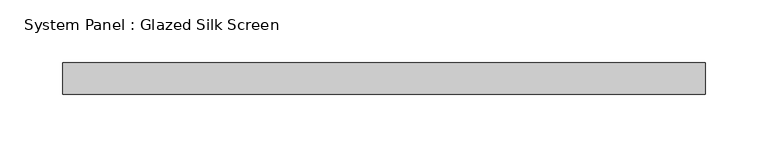
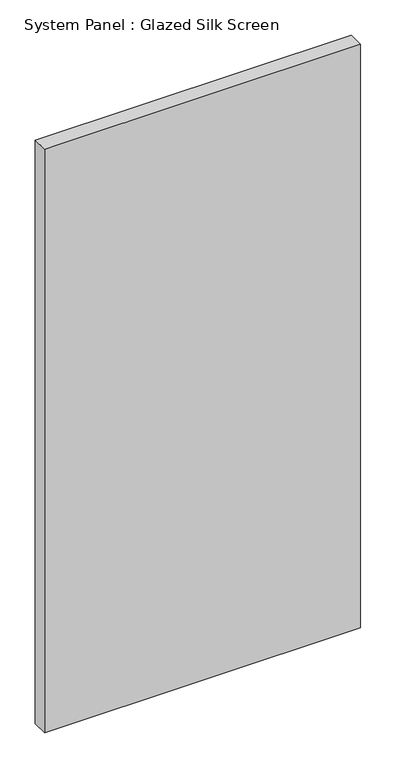
"""IFC4 building model written with IfcOpenShell, lengths in millimetres: plate geometry, System Panel : Glazed Silk Screen."""

from ifc_helpers import new_model, si_unit, origin, origin_with_axes, place, context, project, spatial, polyline, outline, extrude, source, transform, mapped, element, save


def system_panel_glazed_silk_screen_726dea50(model_context):
    return source(origin(), model_context, "Body", "SweptSolid", [
        extrude(outline(polyline([(257.1750002, 19.05), (-257.1750002, 19.05), (-257.1750002, 44.45), (257.1750002, 44.45), (257.1750002, 19.05)])), origin_with_axes(), (0.0, 0.0, 1.0), 1003.3),
    ])


if __name__ == "__main__":
    model = new_model("IFC4")
    model_context = context("Model", 3, world=origin())
    ifc_project = project(units=[si_unit("LENGTHUNIT", "METRE", prefix="MILLI")], contexts=[model_context])
    site = spatial("IfcSite", under=ifc_project)
    building = spatial("IfcBuilding", under=site)
    placement = place(None, origin())
    system_panel_glazed_silk_screen_shape = system_panel_glazed_silk_screen_726dea50(model_context)
    element("IfcPlate", 1, ObjectType="System Panel : Glazed Silk Screen", at=placement, inside=building, context=model_context, shape_type="MappedRepresentation", body=[
        mapped(system_panel_glazed_silk_screen_shape, transform((0.0, 0.0, 0.0), x_axis=(1.0, 0.0, 0.0), y_axis=(0.0, 1.0, 0.0), z_axis=(0.0, 0.0, 1.0))),
    ])
    save(model, "model.ifc")
